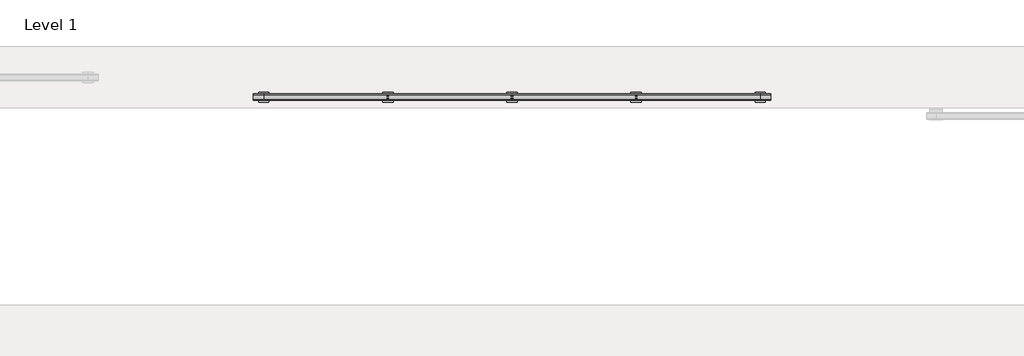
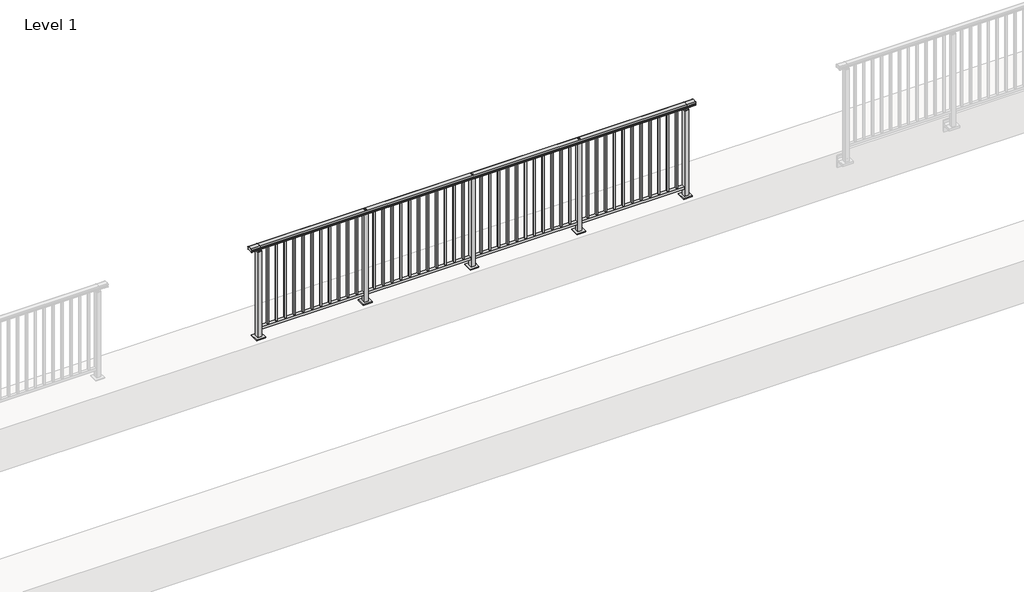
# One storey, part 27 of 64: 1 railing.
"""IFC4 building model written with IfcOpenShell, lengths in millimetres."""

from ifc_helpers import new_model, si_unit, frame, origin, origin_with_axes, place, context, project, spatial, polyline, circle_curve, outline, extrude, element, save
from ifc_brep_helpers import plane_surface, cylinder_surface, revolved_surface, advanced_brep

model = new_model("IFC4")

# Units and contexts
model_context = context("Model", 3, world=origin())
ifc_project = project(units=[si_unit("LENGTHUNIT", "METRE", prefix="MILLI")], contexts=[model_context])

# Site, building, storey
site = spatial("IfcSite", under=ifc_project)
building = spatial("IfcBuilding", under=site)
storey = spatial("IfcBuildingStorey", under=building, Name="Level 1", Elevation=0.0)

# Railing
placement = place(None, origin())
element("IfcRailing", 1, at=placement, inside=storey, context=model_context, shape_type="SolidModel", body=[
    advanced_brep(
    [(6400.0, 17525.3633756, 1095.6691182), (6400.0, 17530.1846828, 1081.1334092), (6400.0, 17529.2413744, 1069.2539035), (6400.0, 17531.1364177, 1061.4863007), (6400.0, 17529.4894799, 1060.384124), (6400.0, 17529.4894799, 1062.0), (6400.0, 17470.8798858, 1062.0), (6400.0, 17470.8798858, 1060.384124), (6400.0, 17469.232948, 1061.4863007), (6400.0, 17471.1279912, 1069.2539035), (6400.0, 17470.1846828, 1081.1334092), (6400.0, 17475.00599, 1095.6691182), (11400.0, 17525.3633756, 1095.6691182), (11400.0, 17475.00599, 1095.6691182), (11400.0, 17470.1846828, 1081.1334092), (11400.0, 17471.1279912, 1069.2539035), (11400.0, 17469.232948, 1061.4863007), (11400.0, 17470.8798858, 1060.384124), (11400.0, 17470.8798858, 1062.0), (11400.0, 17529.4894799, 1062.0), (11400.0, 17529.4894799, 1060.384124), (11400.0, 17531.1364177, 1061.4863007), (11400.0, 17529.2413744, 1069.2539035), (11400.0, 17530.1846828, 1081.1334092), (6500.0, 17525.3633756, 1095.6691182), (6500.0, 17530.1846828, 1081.1334092), (6500.0, 17529.2413744, 1069.2539035), (6500.0, 17531.1364177, 1061.4863007), (6500.0, 17529.4894799, 1060.384124), (6500.0, 17529.4894799, 1062.0), (6500.0, 17470.8798858, 1062.0), (6500.0, 17470.8798858, 1060.384124), (6500.0, 17469.232948, 1061.4863007), (6500.0, 17471.1279912, 1069.2539035), (6500.0, 17470.1846828, 1081.1334092), (6500.0, 17475.00599, 1095.6691182), (11300.0, 17525.3633756, 1095.6691182), (11300.0, 17530.1846828, 1081.1334092), (11300.0, 17529.2413744, 1069.2539035), (11300.0, 17531.1364177, 1061.4863007), (11300.0, 17529.4894799, 1060.384124), (11300.0, 17529.4894799, 1062.0), (11300.0, 17470.8798858, 1062.0), (11300.0, 17470.8798858, 1060.384124), (11300.0, 17469.232948, 1061.4863007), (11300.0, 17471.1279912, 1069.2539035), (11300.0, 17470.1846828, 1081.1334092), (11300.0, 17475.00599, 1095.6691182)],
    [
        (0, 1, circle_curve(frame((6400.0, 17522.1223845, 1086.526686), z_axis=(-1.0, 0.0, 0.0), x_axis=(0.0, -1.0, 0.0)), 9.6999015)),
        (1, 2, circle_curve(frame((6400.0, 17547.7252545, 1073.7633709), z_axis=(1.0, 0.0, 0.0), x_axis=(0.0, -1.0, 0.0)), 19.0260117)),
        (2, 3),
        (3, 4, circle_curve(frame((6400.0, 17530.2772073, 1060.9886194), z_axis=(-1.0, 0.0, 0.0), x_axis=(0.0, -1.0, 0.0)), 0.9929396)),
        (4, 5),
        (5, 6),
        (6, 7),
        (7, 8, circle_curve(frame((6400.0, 17470.0921584, 1060.9886194), z_axis=(-1.0, 0.0, 0.0), x_axis=(0.0, 1.0, 0.0)), 0.9929396)),
        (8, 9),
        (9, 10, circle_curve(frame((6400.0, 17452.6441111, 1073.7633709), z_axis=(1.0, 0.0, 0.0), x_axis=(0.0, 1.0, 0.0)), 19.0260117)),
        (10, 11, circle_curve(frame((6400.0, 17478.2469812, 1086.526686), z_axis=(-1.0, 0.0, 0.0), x_axis=(0.0, 1.0, 0.0)), 9.6999015)),
        (11, 0, circle_curve(frame((6400.0, 17500.1846828, 1024.6431628), z_axis=(-1.0, 0.0, 0.0), x_axis=(0.0, 1.0, 0.0)), 75.3568372)),
        (12, 13, circle_curve(frame((11400.0, 17500.1846828, 1024.6431628), z_axis=(1.0, 0.0, 0.0), x_axis=(0.0, 1.0, 0.0)), 75.3568372)),
        (13, 14, circle_curve(frame((11400.0, 17478.2469812, 1086.526686), z_axis=(1.0, 0.0, 0.0), x_axis=(0.0, 1.0, 0.0)), 9.6999015)),
        (14, 15, circle_curve(frame((11400.0, 17452.6441111, 1073.7633709), z_axis=(-1.0, 0.0, 0.0), x_axis=(0.0, 1.0, 0.0)), 19.0260117)),
        (15, 16),
        (16, 17, circle_curve(frame((11400.0, 17470.0921584, 1060.9886194), z_axis=(1.0, 0.0, 0.0), x_axis=(0.0, 1.0, 0.0)), 0.9929396)),
        (17, 18),
        (18, 19),
        (19, 20),
        (20, 21, circle_curve(frame((11400.0, 17530.2772073, 1060.9886194), z_axis=(1.0, 0.0, 0.0), x_axis=(0.0, -1.0, 0.0)), 0.9929396)),
        (21, 22),
        (22, 23, circle_curve(frame((11400.0, 17547.7252545, 1073.7633709), z_axis=(-1.0, 0.0, 0.0), x_axis=(0.0, -1.0, 0.0)), 19.0260117)),
        (23, 12, circle_curve(frame((11400.0, 17522.1223845, 1086.526686), z_axis=(1.0, 0.0, 0.0), x_axis=(0.0, -1.0, 0.0)), 9.6999015)),
        (0, 24),
        (24, 25, circle_curve(frame((6500.0, 17522.1223845, 1086.526686), z_axis=(-1.0, 0.0, 0.0), x_axis=(0.0, -1.0, 0.0)), 9.6999015)),
        (25, 1),
        (25, 26, circle_curve(frame((6500.0, 17547.7252545, 1073.7633709), z_axis=(1.0, 0.0, 0.0), x_axis=(0.0, -1.0, 0.0)), 19.0260117)),
        (26, 2),
        (26, 27),
        (27, 3),
        (27, 28, circle_curve(frame((6500.0, 17530.2772073, 1060.9886194), z_axis=(-1.0, 0.0, 0.0), x_axis=(0.0, -1.0, 0.0)), 0.9929396)),
        (28, 4),
        (28, 29),
        (29, 5),
        (29, 30),
        (30, 6),
        (30, 31),
        (31, 7),
        (31, 32, circle_curve(frame((6500.0, 17470.0921584, 1060.9886194), z_axis=(-1.0, 0.0, 0.0), x_axis=(0.0, 1.0, 0.0)), 0.9929396)),
        (32, 8),
        (32, 33),
        (33, 9),
        (33, 34, circle_curve(frame((6500.0, 17452.6441111, 1073.7633709), z_axis=(1.0, 0.0, 0.0), x_axis=(0.0, 1.0, 0.0)), 19.0260117)),
        (34, 10),
        (34, 35, circle_curve(frame((6500.0, 17478.2469812, 1086.526686), z_axis=(-1.0, 0.0, 0.0), x_axis=(0.0, 1.0, 0.0)), 9.6999015)),
        (35, 11),
        (35, 24, circle_curve(frame((6500.0, 17500.1846828, 1024.6431628), z_axis=(-1.0, 0.0, 0.0), x_axis=(0.0, 1.0, 0.0)), 75.3568372)),
        (24, 36),
        (36, 37, circle_curve(frame((11300.0, 17522.1223845, 1086.526686), z_axis=(-1.0, 0.0, 0.0), x_axis=(0.0, -1.0, 0.0)), 9.6999015)),
        (37, 25),
        (37, 38, circle_curve(frame((11300.0, 17547.7252545, 1073.7633709), z_axis=(1.0, 0.0, 0.0), x_axis=(0.0, -1.0, 0.0)), 19.0260117)),
        (38, 26),
        (38, 39),
        (39, 27),
        (39, 40, circle_curve(frame((11300.0, 17530.2772073, 1060.9886194), z_axis=(-1.0, 0.0, 0.0), x_axis=(0.0, -1.0, 0.0)), 0.9929396)),
        (40, 28),
        (40, 41),
        (41, 29),
        (41, 42),
        (42, 30),
        (42, 43),
        (43, 31),
        (43, 44, circle_curve(frame((11300.0, 17470.0921584, 1060.9886194), z_axis=(-1.0, 0.0, 0.0), x_axis=(0.0, 1.0, 0.0)), 0.9929396)),
        (44, 32),
        (44, 45),
        (45, 33),
        (45, 46, circle_curve(frame((11300.0, 17452.6441111, 1073.7633709), z_axis=(1.0, 0.0, 0.0), x_axis=(0.0, 1.0, 0.0)), 19.0260117)),
        (46, 34),
        (46, 47, circle_curve(frame((11300.0, 17478.2469812, 1086.526686), z_axis=(-1.0, 0.0, 0.0), x_axis=(0.0, 1.0, 0.0)), 9.6999015)),
        (47, 35),
        (47, 36, circle_curve(frame((11300.0, 17500.1846828, 1024.6431628), z_axis=(-1.0, 0.0, 0.0), x_axis=(0.0, 1.0, 0.0)), 75.3568372)),
        (36, 12),
        (23, 37),
        (22, 38),
        (21, 39),
        (20, 40),
        (19, 41),
        (18, 42),
        (17, 43),
        (16, 44),
        (15, 45),
        (14, 46),
        (13, 47),
    ],
    [
        plane_surface(frame((6400.0, 17500.1846828, 1100.0), z_axis=(-1.0, 0.0, 0.0), x_axis=(0.0, 1.0, 0.0))),
        plane_surface(frame((11400.0, 17500.1846828, 1100.0), z_axis=(1.0, 0.0, 0.0), x_axis=(0.0, 1.0, 0.0))),
        cylinder_surface(frame((6400.0, 17522.1223845, 1086.526686), z_axis=(-1.0, 0.0, 0.0), x_axis=(0.0, -1.0, 0.0)), 9.6999015),
        revolved_surface(polyline([(6500.0, 17528.6992428, 1073.7633709), (6400.0, 17528.6992428, 1073.7633709)]), (6400.0, 17547.7252545, 1073.7633709), (1.0, 0.0, 0.0)),
        plane_surface(frame((6400.0, 17529.2413744, 1069.2539035), z_axis=(0.0, 0.9715057689301543, 0.2370159086125439), x_axis=(1.0, 0.0, 0.0))),
        cylinder_surface(frame((6400.0, 17530.2772073, 1060.9886194), z_axis=(-1.0, 0.0, 0.0), x_axis=(0.0, -1.0, 0.0)), 0.9929396),
        plane_surface(frame((6400.0, 17529.4894799, 1060.384124), z_axis=(0.0, -1.0, 0.0), x_axis=(1.0, 0.0, 0.0))),
        plane_surface(frame((6400.0, 17529.4894799, 1062.0), z_axis=(0.0, 0.0, -1.0), x_axis=(1.0, 0.0, 0.0))),
        plane_surface(frame((6400.0, 17470.8798858, 1062.0), z_axis=(0.0, 1.0, 0.0), x_axis=(1.0, 0.0, 0.0))),
        cylinder_surface(frame((6400.0, 17470.0921584, 1060.9886194), z_axis=(-1.0, 0.0, 0.0), x_axis=(0.0, 1.0, 0.0)), 0.9929396),
        plane_surface(frame((6400.0, 17469.232948, 1061.4863007), z_axis=(0.0, -0.9715057689301543, 0.2370159086125439), x_axis=(1.0, 0.0, 0.0))),
        revolved_surface(polyline([(6500.0, 17471.6701228, 1073.7633709), (6400.0, 17471.6701228, 1073.7633709)]), (6400.0, 17452.6441111, 1073.7633709), (1.0, 0.0, 0.0)),
        cylinder_surface(frame((6400.0, 17478.2469812, 1086.526686), z_axis=(-1.0, 0.0, 0.0), x_axis=(0.0, 1.0, 0.0)), 9.6999015),
        cylinder_surface(frame((6400.0, 17500.1846828, 1024.6431628), z_axis=(-1.0, 0.0, 0.0), x_axis=(0.0, 1.0, 0.0)), 75.3568372),
        cylinder_surface(frame((6500.0, 17522.1223845, 1086.526686), z_axis=(-1.0, 0.0, 0.0), x_axis=(0.0, -1.0, 0.0)), 9.6999015),
        revolved_surface(polyline([(11300.0, 17528.6992428, 1073.7633709), (6500.0, 17528.6992428, 1073.7633709)]), (6500.0, 17547.7252545, 1073.7633709), (1.0, 0.0, 0.0)),
        plane_surface(frame((6500.0, 17529.2413744, 1069.2539035), z_axis=(0.0, 0.9715057689301543, 0.2370159086125439), x_axis=(1.0, 0.0, 0.0))),
        cylinder_surface(frame((6500.0, 17530.2772073, 1060.9886194), z_axis=(-1.0, 0.0, 0.0), x_axis=(0.0, -1.0, 0.0)), 0.9929396),
        plane_surface(frame((6500.0, 17529.4894799, 1060.384124), z_axis=(0.0, -1.0, 0.0), x_axis=(1.0, 0.0, 0.0))),
        plane_surface(frame((6500.0, 17529.4894799, 1062.0), z_axis=(0.0, 0.0, -1.0), x_axis=(1.0, 0.0, 0.0))),
        plane_surface(frame((6500.0, 17470.8798858, 1062.0), z_axis=(0.0, 1.0, 0.0), x_axis=(1.0, 0.0, 0.0))),
        cylinder_surface(frame((6500.0, 17470.0921584, 1060.9886194), z_axis=(-1.0, 0.0, 0.0), x_axis=(0.0, 1.0, 0.0)), 0.9929396),
        plane_surface(frame((6500.0, 17469.232948, 1061.4863007), z_axis=(0.0, -0.9715057689301543, 0.2370159086125439), x_axis=(1.0, 0.0, 0.0))),
        revolved_surface(polyline([(11300.0, 17471.6701228, 1073.7633709), (6500.0, 17471.6701228, 1073.7633709)]), (6500.0, 17452.6441111, 1073.7633709), (1.0, 0.0, 0.0)),
        cylinder_surface(frame((6500.0, 17478.2469812, 1086.526686), z_axis=(-1.0, 0.0, 0.0), x_axis=(0.0, 1.0, 0.0)), 9.6999015),
        cylinder_surface(frame((6500.0, 17500.1846828, 1024.6431628), z_axis=(-1.0, 0.0, 0.0), x_axis=(0.0, 1.0, 0.0)), 75.3568372),
        cylinder_surface(frame((11300.0, 17522.1223845, 1086.526686), z_axis=(-1.0, 0.0, 0.0), x_axis=(0.0, -1.0, 0.0)), 9.6999015),
        revolved_surface(polyline([(11400.0, 17528.6992428, 1073.7633709), (11300.0, 17528.6992428, 1073.7633709)]), (11300.0, 17547.7252545, 1073.7633709), (1.0, 0.0, 0.0)),
        plane_surface(frame((11300.0, 17529.2413744, 1069.2539035), z_axis=(0.0, 0.9715057689301543, 0.2370159086125439), x_axis=(1.0, 0.0, 0.0))),
        cylinder_surface(frame((11300.0, 17530.2772073, 1060.9886194), z_axis=(-1.0, 0.0, 0.0), x_axis=(0.0, -1.0, 0.0)), 0.9929396),
        plane_surface(frame((11300.0, 17529.4894799, 1060.384124), z_axis=(0.0, -1.0, 0.0), x_axis=(1.0, 0.0, 0.0))),
        plane_surface(frame((11300.0, 17529.4894799, 1062.0), z_axis=(0.0, 0.0, -1.0), x_axis=(1.0, 0.0, 0.0))),
        plane_surface(frame((11300.0, 17470.8798858, 1062.0), z_axis=(0.0, 1.0, 0.0), x_axis=(1.0, 0.0, 0.0))),
        cylinder_surface(frame((11300.0, 17470.0921584, 1060.9886194), z_axis=(-1.0, 0.0, 0.0), x_axis=(0.0, 1.0, 0.0)), 0.9929396),
        plane_surface(frame((11300.0, 17469.232948, 1061.4863007), z_axis=(0.0, -0.9715057689301543, 0.2370159086125439), x_axis=(1.0, 0.0, 0.0))),
        revolved_surface(polyline([(11400.0, 17471.6701228, 1073.7633709), (11300.0, 17471.6701228, 1073.7633709)]), (11300.0, 17452.6441111, 1073.7633709), (1.0, 0.0, 0.0)),
        cylinder_surface(frame((11300.0, 17478.2469812, 1086.526686), z_axis=(-1.0, 0.0, 0.0), x_axis=(0.0, 1.0, 0.0)), 9.6999015),
        cylinder_surface(frame((11300.0, 17500.1846828, 1024.6431628), z_axis=(-1.0, 0.0, 0.0), x_axis=(0.0, 1.0, 0.0)), 75.3568372),
    ],
    [
        (0, [[1, 2, 3, 4, 5, 6, 7, 8, 9, 10, 11, 12]]),
        (1, [[13, 14, 15, 16, 17, 18, 19, 20, 21, 22, 23, 24]]),
        (2, [[-1, 25, 26, 27]]),
        (3, [[-2, -27, 28, 29]]),
        (4, [[-3, -29, 30, 31]]),
        (5, [[-4, -31, 32, 33]]),
        (6, [[-5, -33, 34, 35]]),
        (7, [[-6, -35, 36, 37]]),
        (8, [[-7, -37, 38, 39]]),
        (9, [[-8, -39, 40, 41]]),
        (10, [[-9, -41, 42, 43]]),
        (11, [[-10, -43, 44, 45]]),
        (12, [[-11, -45, 46, 47]]),
        (13, [[-12, -47, 48, -25]]),
        (14, [[-26, 49, 50, 51]]),
        (15, [[-28, -51, 52, 53]]),
        (16, [[-30, -53, 54, 55]]),
        (17, [[-32, -55, 56, 57]]),
        (18, [[-34, -57, 58, 59]]),
        (19, [[-36, -59, 60, 61]]),
        (20, [[-38, -61, 62, 63]]),
        (21, [[-40, -63, 64, 65]]),
        (22, [[-42, -65, 66, 67]]),
        (23, [[-44, -67, 68, 69]]),
        (24, [[-46, -69, 70, 71]]),
        (25, [[-48, -71, 72, -49]]),
        (26, [[-50, 73, -24, 74]]),
        (27, [[-52, -74, -23, 75]]),
        (28, [[-54, -75, -22, 76]]),
        (29, [[-56, -76, -21, 77]]),
        (30, [[-58, -77, -20, 78]]),
        (31, [[-60, -78, -19, 79]]),
        (32, [[-62, -79, -18, 80]]),
        (33, [[-64, -80, -17, 81]]),
        (34, [[-66, -81, -16, 82]]),
        (35, [[-68, -82, -15, 83]]),
        (36, [[-70, -83, -14, 84]]),
        (37, [[-72, -84, -13, -73]]),
    ],
),
    extrude(outline(polyline([(6500.0, 17482.6846828), (6500.0, 17517.6846828), (11300.0, 17517.6846828), (11300.0, 17482.6846828), (6500.0, 17482.6846828)])), frame((0.0, 0.0, 95.0), z_axis=(0.0, 0.0, 1.0), x_axis=(1.0, 0.0, 0.0)), (0.0, 0.0, 1.0), 30.0),
    extrude(outline(polyline([(11208.5, 17508.6846828), (11208.5, 17491.6846828), (11191.5, 17491.6846828), (11191.5, 17508.6846828), (11208.5, 17508.6846828)])), frame((0.0, 0.0, 125.0), z_axis=(0.0, 0.0, 1.0), x_axis=(1.0, 0.0, 0.0)), (0.0, 0.0, 1.0), 930.0),
    extrude(outline(polyline([(11108.5, 17508.6846828), (11108.5, 17491.6846828), (11091.5, 17491.6846828), (11091.5, 17508.6846828), (11108.5, 17508.6846828)])), frame((0.0, 0.0, 125.0), z_axis=(0.0, 0.0, 1.0), x_axis=(1.0, 0.0, 0.0)), (0.0, 0.0, 1.0), 930.0),
    extrude(outline(polyline([(11008.5, 17508.6846828), (11008.5, 17491.6846828), (10991.5, 17491.6846828), (10991.5, 17508.6846828), (11008.5, 17508.6846828)])), frame((0.0, 0.0, 125.0), z_axis=(0.0, 0.0, 1.0), x_axis=(1.0, 0.0, 0.0)), (0.0, 0.0, 1.0), 930.0),
    extrude(outline(polyline([(10908.5, 17508.6846828), (10908.5, 17491.6846828), (10891.5, 17491.6846828), (10891.5, 17508.6846828), (10908.5, 17508.6846828)])), frame((0.0, 0.0, 125.0), z_axis=(0.0, 0.0, 1.0), x_axis=(1.0, 0.0, 0.0)), (0.0, 0.0, 1.0), 930.0),
    extrude(outline(polyline([(10808.5, 17508.6846828), (10808.5, 17491.6846828), (10791.5, 17491.6846828), (10791.5, 17508.6846828), (10808.5, 17508.6846828)])), frame((0.0, 0.0, 125.0), z_axis=(0.0, 0.0, 1.0), x_axis=(1.0, 0.0, 0.0)), (0.0, 0.0, 1.0), 930.0),
    extrude(outline(polyline([(10708.5, 17508.6846828), (10708.5, 17491.6846828), (10691.5, 17491.6846828), (10691.5, 17508.6846828), (10708.5, 17508.6846828)])), frame((0.0, 0.0, 125.0), z_axis=(0.0, 0.0, 1.0), x_axis=(1.0, 0.0, 0.0)), (0.0, 0.0, 1.0), 930.0),
    extrude(outline(polyline([(10608.5, 17508.6846828), (10608.5, 17491.6846828), (10591.5, 17491.6846828), (10591.5, 17508.6846828), (10608.5, 17508.6846828)])), frame((0.0, 0.0, 125.0), z_axis=(0.0, 0.0, 1.0), x_axis=(1.0, 0.0, 0.0)), (0.0, 0.0, 1.0), 930.0),
    extrude(outline(polyline([(10508.5, 17508.6846828), (10508.5, 17491.6846828), (10491.5, 17491.6846828), (10491.5, 17508.6846828), (10508.5, 17508.6846828)])), frame((0.0, 0.0, 125.0), z_axis=(0.0, 0.0, 1.0), x_axis=(1.0, 0.0, 0.0)), (0.0, 0.0, 1.0), 930.0),
    extrude(outline(polyline([(10408.5, 17508.6846828), (10408.5, 17491.6846828), (10391.5, 17491.6846828), (10391.5, 17508.6846828), (10408.5, 17508.6846828)])), frame((0.0, 0.0, 125.0), z_axis=(0.0, 0.0, 1.0), x_axis=(1.0, 0.0, 0.0)), (0.0, 0.0, 1.0), 930.0),
    extrude(outline(polyline([(10308.5, 17508.6846828), (10308.5, 17491.6846828), (10291.5, 17491.6846828), (10291.5, 17508.6846828), (10308.5, 17508.6846828)])), frame((0.0, 0.0, 125.0), z_axis=(0.0, 0.0, 1.0), x_axis=(1.0, 0.0, 0.0)), (0.0, 0.0, 1.0), 930.0),
    extrude(outline(polyline([(10208.5, 17508.6846828), (10208.5, 17491.6846828), (10191.5, 17491.6846828), (10191.5, 17508.6846828), (10208.5, 17508.6846828)])), frame((0.0, 0.0, 125.0), z_axis=(0.0, 0.0, 1.0), x_axis=(1.0, 0.0, 0.0)), (0.0, 0.0, 1.0), 930.0),
    extrude(outline(polyline([(10110.0, 17490.1846828), (10090.0, 17490.1846828), (10090.0, 17510.1846828), (10110.0, 17510.1846828), (10110.0, 17490.1846828)])), frame((0.0, 0.0, 1080.0), z_axis=(0.0, 0.0, 1.0), x_axis=(1.0, 0.0, 0.0)), (0.0, 0.0, 1.0), 20.0),
    extrude(outline(polyline([(10122.5, 17477.6846828), (10077.5, 17477.6846828), (10077.5, 17522.6846828), (10122.5, 17522.6846828), (10122.5, 17477.6846828)])), frame((0.0, 0.0, 1072.0), z_axis=(0.0, 0.0, 1.0), x_axis=(1.0, 0.0, 0.0)), (0.0, 0.0, 1.0), 8.0),
    extrude(outline(polyline([(10150.0, 17450.1846828), (10050.0, 17450.1846828), (10050.0, 17550.1846828), (10150.0, 17550.1846828), (10150.0, 17450.1846828)])), origin_with_axes(), (0.0, 0.0, 1.0), 12.0),
    extrude(outline(polyline([(10122.5, 17477.6846828), (10077.5, 17477.6846828), (10077.5, 17522.6846828), (10122.5, 17522.6846828), (10122.5, 17477.6846828)])), frame((0.0, 0.0, 12.0), z_axis=(0.0, 0.0, 1.0), x_axis=(1.0, 0.0, 0.0)), (0.0, 0.0, 1.0), 1060.0),
    extrude(outline(polyline([(10008.5, 17508.6846828), (10008.5, 17491.6846828), (9991.5, 17491.6846828), (9991.5, 17508.6846828), (10008.5, 17508.6846828)])), frame((0.0, 0.0, 125.0), z_axis=(0.0, 0.0, 1.0), x_axis=(1.0, 0.0, 0.0)), (0.0, 0.0, 1.0), 930.0),
    extrude(outline(polyline([(9908.5, 17508.6846828), (9908.5, 17491.6846828), (9891.5, 17491.6846828), (9891.5, 17508.6846828), (9908.5, 17508.6846828)])), frame((0.0, 0.0, 125.0), z_axis=(0.0, 0.0, 1.0), x_axis=(1.0, 0.0, 0.0)), (0.0, 0.0, 1.0), 930.0),
    extrude(outline(polyline([(9808.5, 17508.6846828), (9808.5, 17491.6846828), (9791.5, 17491.6846828), (9791.5, 17508.6846828), (9808.5, 17508.6846828)])), frame((0.0, 0.0, 125.0), z_axis=(0.0, 0.0, 1.0), x_axis=(1.0, 0.0, 0.0)), (0.0, 0.0, 1.0), 930.0),
    extrude(outline(polyline([(9708.5, 17508.6846828), (9708.5, 17491.6846828), (9691.5, 17491.6846828), (9691.5, 17508.6846828), (9708.5, 17508.6846828)])), frame((0.0, 0.0, 125.0), z_axis=(0.0, 0.0, 1.0), x_axis=(1.0, 0.0, 0.0)), (0.0, 0.0, 1.0), 930.0),
    extrude(outline(polyline([(9608.5, 17508.6846828), (9608.5, 17491.6846828), (9591.5, 17491.6846828), (9591.5, 17508.6846828), (9608.5, 17508.6846828)])), frame((0.0, 0.0, 125.0), z_axis=(0.0, 0.0, 1.0), x_axis=(1.0, 0.0, 0.0)), (0.0, 0.0, 1.0), 930.0),
    extrude(outline(polyline([(9508.5, 17508.6846828), (9508.5, 17491.6846828), (9491.5, 17491.6846828), (9491.5, 17508.6846828), (9508.5, 17508.6846828)])), frame((0.0, 0.0, 125.0), z_axis=(0.0, 0.0, 1.0), x_axis=(1.0, 0.0, 0.0)), (0.0, 0.0, 1.0), 930.0),
    extrude(outline(polyline([(9408.5, 17508.6846828), (9408.5, 17491.6846828), (9391.5, 17491.6846828), (9391.5, 17508.6846828), (9408.5, 17508.6846828)])), frame((0.0, 0.0, 125.0), z_axis=(0.0, 0.0, 1.0), x_axis=(1.0, 0.0, 0.0)), (0.0, 0.0, 1.0), 930.0),
    extrude(outline(polyline([(9308.5, 17508.6846828), (9308.5, 17491.6846828), (9291.5, 17491.6846828), (9291.5, 17508.6846828), (9308.5, 17508.6846828)])), frame((0.0, 0.0, 125.0), z_axis=(0.0, 0.0, 1.0), x_axis=(1.0, 0.0, 0.0)), (0.0, 0.0, 1.0), 930.0),
    extrude(outline(polyline([(9208.5, 17508.6846828), (9208.5, 17491.6846828), (9191.5, 17491.6846828), (9191.5, 17508.6846828), (9208.5, 17508.6846828)])), frame((0.0, 0.0, 125.0), z_axis=(0.0, 0.0, 1.0), x_axis=(1.0, 0.0, 0.0)), (0.0, 0.0, 1.0), 930.0),
    extrude(outline(polyline([(9108.5, 17508.6846828), (9108.5, 17491.6846828), (9091.5, 17491.6846828), (9091.5, 17508.6846828), (9108.5, 17508.6846828)])), frame((0.0, 0.0, 125.0), z_axis=(0.0, 0.0, 1.0), x_axis=(1.0, 0.0, 0.0)), (0.0, 0.0, 1.0), 930.0),
    extrude(outline(polyline([(9008.5, 17508.6846828), (9008.5, 17491.6846828), (8991.5, 17491.6846828), (8991.5, 17508.6846828), (9008.5, 17508.6846828)])), frame((0.0, 0.0, 125.0), z_axis=(0.0, 0.0, 1.0), x_axis=(1.0, 0.0, 0.0)), (0.0, 0.0, 1.0), 930.0),
    extrude(outline(polyline([(8910.0, 17490.1846828), (8890.0, 17490.1846828), (8890.0, 17510.1846828), (8910.0, 17510.1846828), (8910.0, 17490.1846828)])), frame((0.0, 0.0, 1080.0), z_axis=(0.0, 0.0, 1.0), x_axis=(1.0, 0.0, 0.0)), (0.0, 0.0, 1.0), 20.0),
    extrude(outline(polyline([(8922.5, 17477.6846828), (8877.5, 17477.6846828), (8877.5, 17522.6846828), (8922.5, 17522.6846828), (8922.5, 17477.6846828)])), frame((0.0, 0.0, 1072.0), z_axis=(0.0, 0.0, 1.0), x_axis=(1.0, 0.0, 0.0)), (0.0, 0.0, 1.0), 8.0),
    extrude(outline(polyline([(8950.0, 17450.1846828), (8850.0, 17450.1846828), (8850.0, 17550.1846828), (8950.0, 17550.1846828), (8950.0, 17450.1846828)])), origin_with_axes(), (0.0, 0.0, 1.0), 12.0),
    extrude(outline(polyline([(8922.5, 17477.6846828), (8877.5, 17477.6846828), (8877.5, 17522.6846828), (8922.5, 17522.6846828), (8922.5, 17477.6846828)])), frame((0.0, 0.0, 12.0), z_axis=(0.0, 0.0, 1.0), x_axis=(1.0, 0.0, 0.0)), (0.0, 0.0, 1.0), 1060.0),
    extrude(outline(polyline([(8808.5, 17508.6846828), (8808.5, 17491.6846828), (8791.5, 17491.6846828), (8791.5, 17508.6846828), (8808.5, 17508.6846828)])), frame((0.0, 0.0, 125.0), z_axis=(0.0, 0.0, 1.0), x_axis=(1.0, 0.0, 0.0)), (0.0, 0.0, 1.0), 930.0),
    extrude(outline(polyline([(8708.5, 17508.6846828), (8708.5, 17491.6846828), (8691.5, 17491.6846828), (8691.5, 17508.6846828), (8708.5, 17508.6846828)])), frame((0.0, 0.0, 125.0), z_axis=(0.0, 0.0, 1.0), x_axis=(1.0, 0.0, 0.0)), (0.0, 0.0, 1.0), 930.0),
    extrude(outline(polyline([(8608.5, 17508.6846828), (8608.5, 17491.6846828), (8591.5, 17491.6846828), (8591.5, 17508.6846828), (8608.5, 17508.6846828)])), frame((0.0, 0.0, 125.0), z_axis=(0.0, 0.0, 1.0), x_axis=(1.0, 0.0, 0.0)), (0.0, 0.0, 1.0), 930.0),
    extrude(outline(polyline([(8508.5, 17508.6846828), (8508.5, 17491.6846828), (8491.5, 17491.6846828), (8491.5, 17508.6846828), (8508.5, 17508.6846828)])), frame((0.0, 0.0, 125.0), z_axis=(0.0, 0.0, 1.0), x_axis=(1.0, 0.0, 0.0)), (0.0, 0.0, 1.0), 930.0),
    extrude(outline(polyline([(8408.5, 17508.6846828), (8408.5, 17491.6846828), (8391.5, 17491.6846828), (8391.5, 17508.6846828), (8408.5, 17508.6846828)])), frame((0.0, 0.0, 125.0), z_axis=(0.0, 0.0, 1.0), x_axis=(1.0, 0.0, 0.0)), (0.0, 0.0, 1.0), 930.0),
    extrude(outline(polyline([(8308.5, 17508.6846828), (8308.5, 17491.6846828), (8291.5, 17491.6846828), (8291.5, 17508.6846828), (8308.5, 17508.6846828)])), frame((0.0, 0.0, 125.0), z_axis=(0.0, 0.0, 1.0), x_axis=(1.0, 0.0, 0.0)), (0.0, 0.0, 1.0), 930.0),
    extrude(outline(polyline([(8208.5, 17508.6846828), (8208.5, 17491.6846828), (8191.5, 17491.6846828), (8191.5, 17508.6846828), (8208.5, 17508.6846828)])), frame((0.0, 0.0, 125.0), z_axis=(0.0, 0.0, 1.0), x_axis=(1.0, 0.0, 0.0)), (0.0, 0.0, 1.0), 930.0),
    extrude(outline(polyline([(8108.5, 17508.6846828), (8108.5, 17491.6846828), (8091.5, 17491.6846828), (8091.5, 17508.6846828), (8108.5, 17508.6846828)])), frame((0.0, 0.0, 125.0), z_axis=(0.0, 0.0, 1.0), x_axis=(1.0, 0.0, 0.0)), (0.0, 0.0, 1.0), 930.0),
    extrude(outline(polyline([(8008.5, 17508.6846828), (8008.5, 17491.6846828), (7991.5, 17491.6846828), (7991.5, 17508.6846828), (8008.5, 17508.6846828)])), frame((0.0, 0.0, 125.0), z_axis=(0.0, 0.0, 1.0), x_axis=(1.0, 0.0, 0.0)), (0.0, 0.0, 1.0), 930.0),
    extrude(outline(polyline([(7908.5, 17508.6846828), (7908.5, 17491.6846828), (7891.5, 17491.6846828), (7891.5, 17508.6846828), (7908.5, 17508.6846828)])), frame((0.0, 0.0, 125.0), z_axis=(0.0, 0.0, 1.0), x_axis=(1.0, 0.0, 0.0)), (0.0, 0.0, 1.0), 930.0),
    extrude(outline(polyline([(7808.5, 17508.6846828), (7808.5, 17491.6846828), (7791.5, 17491.6846828), (7791.5, 17508.6846828), (7808.5, 17508.6846828)])), frame((0.0, 0.0, 125.0), z_axis=(0.0, 0.0, 1.0), x_axis=(1.0, 0.0, 0.0)), (0.0, 0.0, 1.0), 930.0),
    extrude(outline(polyline([(7710.0, 17490.1846828), (7690.0, 17490.1846828), (7690.0, 17510.1846828), (7710.0, 17510.1846828), (7710.0, 17490.1846828)])), frame((0.0, 0.0, 1080.0), z_axis=(0.0, 0.0, 1.0), x_axis=(1.0, 0.0, 0.0)), (0.0, 0.0, 1.0), 20.0),
    extrude(outline(polyline([(7722.5, 17477.6846828), (7677.5, 17477.6846828), (7677.5, 17522.6846828), (7722.5, 17522.6846828), (7722.5, 17477.6846828)])), frame((0.0, 0.0, 1072.0), z_axis=(0.0, 0.0, 1.0), x_axis=(1.0, 0.0, 0.0)), (0.0, 0.0, 1.0), 8.0),
    extrude(outline(polyline([(7750.0, 17450.1846828), (7650.0, 17450.1846828), (7650.0, 17550.1846828), (7750.0, 17550.1846828), (7750.0, 17450.1846828)])), origin_with_axes(), (0.0, 0.0, 1.0), 12.0),
    extrude(outline(polyline([(7722.5, 17477.6846828), (7677.5, 17477.6846828), (7677.5, 17522.6846828), (7722.5, 17522.6846828), (7722.5, 17477.6846828)])), frame((0.0, 0.0, 12.0), z_axis=(0.0, 0.0, 1.0), x_axis=(1.0, 0.0, 0.0)), (0.0, 0.0, 1.0), 1060.0),
    extrude(outline(polyline([(7608.5, 17508.6846828), (7608.5, 17491.6846828), (7591.5, 17491.6846828), (7591.5, 17508.6846828), (7608.5, 17508.6846828)])), frame((0.0, 0.0, 125.0), z_axis=(0.0, 0.0, 1.0), x_axis=(1.0, 0.0, 0.0)), (0.0, 0.0, 1.0), 930.0),
    extrude(outline(polyline([(7508.5, 17508.6846828), (7508.5, 17491.6846828), (7491.5, 17491.6846828), (7491.5, 17508.6846828), (7508.5, 17508.6846828)])), frame((0.0, 0.0, 125.0), z_axis=(0.0, 0.0, 1.0), x_axis=(1.0, 0.0, 0.0)), (0.0, 0.0, 1.0), 930.0),
    extrude(outline(polyline([(7408.5, 17508.6846828), (7408.5, 17491.6846828), (7391.5, 17491.6846828), (7391.5, 17508.6846828), (7408.5, 17508.6846828)])), frame((0.0, 0.0, 125.0), z_axis=(0.0, 0.0, 1.0), x_axis=(1.0, 0.0, 0.0)), (0.0, 0.0, 1.0), 930.0),
    extrude(outline(polyline([(7308.5, 17508.6846828), (7308.5, 17491.6846828), (7291.5, 17491.6846828), (7291.5, 17508.6846828), (7308.5, 17508.6846828)])), frame((0.0, 0.0, 125.0), z_axis=(0.0, 0.0, 1.0), x_axis=(1.0, 0.0, 0.0)), (0.0, 0.0, 1.0), 930.0),
    extrude(outline(polyline([(7208.5, 17508.6846828), (7208.5, 17491.6846828), (7191.5, 17491.6846828), (7191.5, 17508.6846828), (7208.5, 17508.6846828)])), frame((0.0, 0.0, 125.0), z_axis=(0.0, 0.0, 1.0), x_axis=(1.0, 0.0, 0.0)), (0.0, 0.0, 1.0), 930.0),
    extrude(outline(polyline([(7108.5, 17508.6846828), (7108.5, 17491.6846828), (7091.5, 17491.6846828), (7091.5, 17508.6846828), (7108.5, 17508.6846828)])), frame((0.0, 0.0, 125.0), z_axis=(0.0, 0.0, 1.0), x_axis=(1.0, 0.0, 0.0)), (0.0, 0.0, 1.0), 930.0),
    extrude(outline(polyline([(7008.5, 17508.6846828), (7008.5, 17491.6846828), (6991.5, 17491.6846828), (6991.5, 17508.6846828), (7008.5, 17508.6846828)])), frame((0.0, 0.0, 125.0), z_axis=(0.0, 0.0, 1.0), x_axis=(1.0, 0.0, 0.0)), (0.0, 0.0, 1.0), 930.0),
    extrude(outline(polyline([(6908.5, 17508.6846828), (6908.5, 17491.6846828), (6891.5, 17491.6846828), (6891.5, 17508.6846828), (6908.5, 17508.6846828)])), frame((0.0, 0.0, 125.0), z_axis=(0.0, 0.0, 1.0), x_axis=(1.0, 0.0, 0.0)), (0.0, 0.0, 1.0), 930.0),
    extrude(outline(polyline([(6808.5, 17508.6846828), (6808.5, 17491.6846828), (6791.5, 17491.6846828), (6791.5, 17508.6846828), (6808.5, 17508.6846828)])), frame((0.0, 0.0, 125.0), z_axis=(0.0, 0.0, 1.0), x_axis=(1.0, 0.0, 0.0)), (0.0, 0.0, 1.0), 930.0),
    extrude(outline(polyline([(6708.5, 17508.6846828), (6708.5, 17491.6846828), (6691.5, 17491.6846828), (6691.5, 17508.6846828), (6708.5, 17508.6846828)])), frame((0.0, 0.0, 125.0), z_axis=(0.0, 0.0, 1.0), x_axis=(1.0, 0.0, 0.0)), (0.0, 0.0, 1.0), 930.0),
    extrude(outline(polyline([(6608.5, 17508.6846828), (6608.5, 17491.6846828), (6591.5, 17491.6846828), (6591.5, 17508.6846828), (6608.5, 17508.6846828)])), frame((0.0, 0.0, 125.0), z_axis=(0.0, 0.0, 1.0), x_axis=(1.0, 0.0, 0.0)), (0.0, 0.0, 1.0), 930.0),
    extrude(outline(polyline([(11310.0, 17490.1846828), (11290.0, 17490.1846828), (11290.0, 17510.1846828), (11310.0, 17510.1846828), (11310.0, 17490.1846828)])), frame((0.0, 0.0, 1035.0), z_axis=(0.0, 0.0, 1.0), x_axis=(1.0, 0.0, 0.0)), (0.0, 0.0, 1.0), 20.0),
    extrude(outline(polyline([(11322.5, 17477.6846828), (11277.5, 17477.6846828), (11277.5, 17522.6846828), (11322.5, 17522.6846828), (11322.5, 17477.6846828)])), frame((0.0, 0.0, 1027.0), z_axis=(0.0, 0.0, 1.0), x_axis=(1.0, 0.0, 0.0)), (0.0, 0.0, 1.0), 8.0),
    extrude(outline(polyline([(11350.0, 17450.1846828), (11250.0, 17450.1846828), (11250.0, 17550.1846828), (11350.0, 17550.1846828), (11350.0, 17450.1846828)])), origin_with_axes(), (0.0, 0.0, 1.0), 12.0),
    extrude(outline(polyline([(11322.5, 17477.6846828), (11277.5, 17477.6846828), (11277.5, 17522.6846828), (11322.5, 17522.6846828), (11322.5, 17477.6846828)])), frame((0.0, 0.0, 12.0), z_axis=(0.0, 0.0, 1.0), x_axis=(1.0, 0.0, 0.0)), (0.0, 0.0, 1.0), 1015.0),
    extrude(outline(polyline([(6510.0, 17490.1846828), (6490.0, 17490.1846828), (6490.0, 17510.1846828), (6510.0, 17510.1846828), (6510.0, 17490.1846828)])), frame((0.0, 0.0, 1035.0), z_axis=(0.0, 0.0, 1.0), x_axis=(1.0, 0.0, 0.0)), (0.0, 0.0, 1.0), 20.0),
    extrude(outline(polyline([(6522.5, 17477.6846828), (6477.5, 17477.6846828), (6477.5, 17522.6846828), (6522.5, 17522.6846828), (6522.5, 17477.6846828)])), frame((0.0, 0.0, 1027.0), z_axis=(0.0, 0.0, 1.0), x_axis=(1.0, 0.0, 0.0)), (0.0, 0.0, 1.0), 8.0),
    extrude(outline(polyline([(6550.0, 17450.1846828), (6450.0, 17450.1846828), (6450.0, 17550.1846828), (6550.0, 17550.1846828), (6550.0, 17450.1846828)])), origin_with_axes(), (0.0, 0.0, 1.0), 12.0),
    extrude(outline(polyline([(6522.5, 17477.6846828), (6477.5, 17477.6846828), (6477.5, 17522.6846828), (6522.5, 17522.6846828), (6522.5, 17477.6846828)])), frame((0.0, 0.0, 12.0), z_axis=(0.0, 0.0, 1.0), x_axis=(1.0, 0.0, 0.0)), (0.0, 0.0, 1.0), 1015.0),
])

save(model, "model.ifc")
